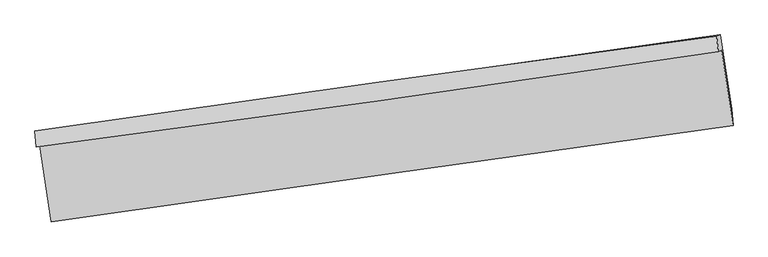
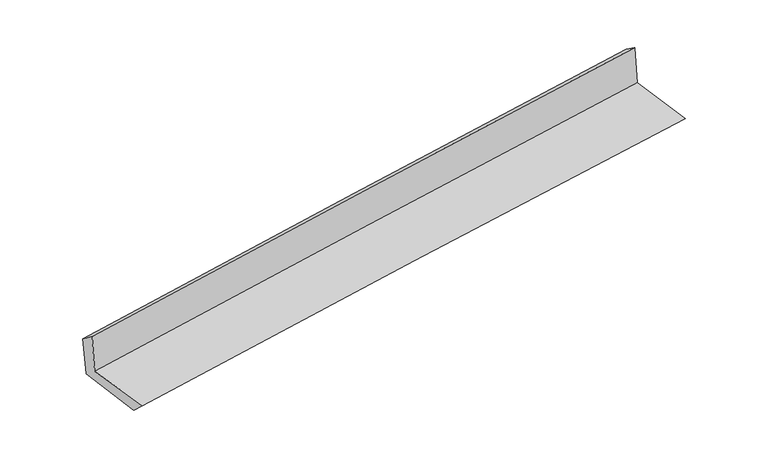
"""IFC4 building model written with IfcOpenShell, lengths in millimetres: proxy geometry."""

from ifc_helpers import new_model, si_unit, frame, origin, place, context, project, spatial, source, transform, mapped, element, save
from ifc_brep_helpers import plane_surface, spline_curve, spline_surface, advanced_brep


def generic_models_ffe34e5d(model_context):
    return source(origin(), model_context, "Body", "AdvancedBrep", [
        advanced_brep(
        [(-2998.977458, -1910.9687295, 1639.5197788), (-2900.6063281, -2576.3047009, 1641.5076441), (3050.4135524, -1737.7355442, 2111.7555485), (2951.2578339, -1079.036602, 2131.0009779), (-3029.931096, -1922.4237887, 2031.7437506), (2920.2367779, -1089.5346644, 2522.3322245), (-3041.4909345, -1781.996142, 1920.7734299), (2908.2315743, -954.4860395, 2426.2819817), (-3009.4048955, -1783.6052148, 1538.1886826), (2938.7999403, -943.1735585, 2038.939921), (-2910.1402045, -2437.8373448, 1509.6871698), (3037.2847894, -1593.2962148, 2012.4953426)],
        [
            (0, 1),
            (1, 2, spline_curve(3, [(-2900.6063281, -2576.3047009, 1641.5076441), (-1909.692779023, -2435.464929955, 1729.043513039), (-918.317293574, -2295.16422735, 1811.998799892), (1065.356001698, -2015.641176674, 1968.748087222), (2057.653809296, -1876.418827264, 2042.542101617), (3050.4135524, -1737.7355442, 2111.7555485)], [4, 2, 4], [0.0, 9.888831024317822, 19.77764659404861])),
            (2, 3),
            (3, 0, spline_curve(3, [(2951.2578339, -1079.036602, 2131.0009779), (1959.202438826, -1219.113120949, 2055.804979222), (967.322187786, -1358.479004217, 1977.250248043), (-1016.089576458, -1635.789715479, 1813.42319234), (-2007.621089378, -1773.734541386, 1728.1508572), (-2998.977458, -1910.9687295, 1639.5197788)], [4, 2, 4], [0.0, 9.888815569730786, 19.77764659404861])),
            (4, 0),
            (3, 5),
            (5, 4, spline_curve(3, [(2920.2367779, -1089.5346644, 2522.3322245), (1928.822967837, -1239.049074395, 2456.220067288), (937.269127652, -1383.213656339, 2382.281653569), (-1046.120163306, -1660.843381206, 2218.752187047), (-2037.955614338, -1794.30850736, 2129.161109094), (-3029.931096, -1922.4237887, 2031.7437506)], [4, 2, 4], [0.0, 9.888932046812027, 19.777879548393127])),
            (6, 4),
            (5, 7),
            (7, 6, spline_curve(3, [(2908.2315743, -954.4860395, 2426.2819817), (1915.692197565, -1087.531033118, 2344.390082266), (923.612687411, -1223.012649272, 2261.318453733), (-1059.628150349, -1498.849342671, 2092.815606596), (-2050.789476231, -1639.204427021, 2007.384384587), (-3041.4909345, -1781.996142, 1920.7734299)], [4, 2, 4], [0.0, 9.888872585268953, 19.77776062521405])),
            (8, 6),
            (7, 9),
            (9, 8, spline_curve(3, [(2938.7999403, -943.1735585, 2038.939921), (1946.461768892, -1082.651362759, 1966.075711369), (954.609333803, -1222.426181253, 1887.914373456), (-1028.125612945, -1502.570066057, 1720.997310312), (-2019.008122996, -1642.939132668, 1632.241568823), (-3009.4048955, -1783.6052148, 1538.1886826)], [4, 2, 4], [0.0, 9.888792878937412, 19.7776012124264])),
            (10, 8),
            (9, 11),
            (11, 10, spline_curve(3, [(3037.2847894, -1593.2962148, 2012.4953426), (2045.096415775, -1733.246155184, 1938.671611704), (1053.383866211, -1873.599497692, 1859.859101983), (-929.09113335, -2155.113206288, 1692.256393049), (-1919.853581699, -2296.273574009, 1603.466178924), (-2910.1402045, -2437.8373448, 1509.6871698)], [4, 2, 4], [0.0, 9.888773383768664, 19.777562222058435])),
            (1, 10),
            (11, 2),
        ],
        [
            spline_surface(3, 3, [[(-2998.977458, -1910.9687295, 1639.5197788), (-2007.621089486, -1773.73454151, 1728.15085709), (-1016.089576604, -1635.789715536, 1813.42319226), (967.322187933, -1358.479004159, 1977.250248123), (1959.202438972, -1219.113120945, 2055.80497933), (2951.2578339, -1079.036602, 2131.0009779)], [(-2966.187081366, -2132.74738663, 1640.182400567), (-1974.978319368, -1994.311337674, 1728.448409078), (-983.498815526, -1855.581219477, 1812.948394837), (1000.000125814, -1577.533061716, 1974.416194455), (1992.019562398, -1438.215023038, 2051.384020103), (2984.309740047, -1298.602916072, 2124.585834752)], [(-2933.396704734, -2354.52604377, 1640.845022333), (-1942.33554925, -2214.888133848, 1728.745961066), (-950.90805449, -2075.372723336, 1812.473597415), (1032.678063654, -1796.58711919, 1971.582140788), (2024.836685882, -1657.316925117, 2046.963060919), (3017.361646253, -1518.169230128, 2118.170691648)], [(-2900.6063281, -2576.3047009, 1641.5076441), (-1909.692779132, -2435.464930012, 1729.043513055), (-918.317293412, -2295.164227277, 1811.998799992), (1065.356001536, -2015.641176747, 1968.748087121), (2057.653809308, -1876.418827211, 2042.542101692), (3050.4135524, -1737.7355442, 2111.7555485)]], [4, 4], [4, 2, 4], [0.0, 2.1834891740617532], [0.0, 9.888831024317822, 19.77764659404861]),
            spline_surface(3, 3, [[(-3029.931096, -1922.4237887, 2031.7437506), (-2037.955614278, -1794.308507317, 2129.16110902), (-1046.120163259, -1660.843381175, 2218.752186886), (937.269127605, -1383.213656369, 2382.281653729), (1928.822967882, -1239.049074379, 2456.220067152), (2920.2367779, -1089.5346644, 2522.3322245)], [(-3019.613216669, -1918.605435635, 1901.002426681), (-2027.844106017, -1787.450518716, 1995.491025058), (-1036.109967724, -1652.492159279, 2083.642522005), (947.286814364, -1374.968772283, 2247.271185189), (1938.949458264, -1232.403756563, 2322.748371214), (2930.577129918, -1086.035310262, 2391.888475636)], [(-3009.295337331, -1914.787082565, 1770.261102719), (-2017.732597748, -1780.592530111, 1861.820941053), (-1026.099772139, -1644.140937432, 1948.532857141), (957.304501174, -1366.723888245, 2112.260716663), (1949.07594859, -1225.75843876, 2189.276675269), (2940.917481882, -1082.535956138, 2261.444726764)], [(-2998.977458, -1910.9687295, 1639.5197788), (-2007.621089486, -1773.73454151, 1728.15085709), (-1016.089576604, -1635.789715536, 1813.42319226), (967.322187933, -1358.479004159, 1977.250248123), (1959.202438972, -1219.113120945, 2055.80497933), (2951.2578339, -1079.036602, 2131.0009779)]], [4, 4], [4, 2, 4], [0.0, 1.335480075281441], [0.0, 9.8889475015811, 19.777879548393127]),
            spline_surface(3, 3, [[(-3041.4909345, -1781.996142, 1920.7734299), (-2050.789476266, -1639.204427143, 2007.384384663), (-1059.628150314, -1498.849342576, 2092.815606721), (923.612687376, -1223.012649368, 2261.318453608), (1915.692197718, -1087.531033084, 2344.3900822), (2908.2315743, -954.4860395, 2426.2819817)], [(-3037.63765501, -1828.805357563, 1957.763536789), (-2046.51152228, -1690.905787198, 2047.976626105), (-1055.125487973, -1552.847355459, 2134.794466778), (928.164834109, -1276.412985052, 2301.639520318), (1920.069121111, -1138.037046853, 2381.666743871), (2912.233308839, -999.502247804, 2458.29872932)], [(-3033.78437549, -1875.614573137, 1994.753643711), (-2042.233568264, -1742.607147263, 2088.568867578), (-1050.622825601, -1606.845368291, 2176.773326828), (932.716980872, -1329.813320685, 2341.96058702), (1924.446044488, -1188.54306061, 2418.943405482), (2916.235043361, -1044.518456096, 2490.31547688)], [(-3029.931096, -1922.4237887, 2031.7437506), (-2037.955614278, -1794.308507317, 2129.16110902), (-1046.120163259, -1660.843381175, 2218.752186886), (937.269127605, -1383.213656369, 2382.281653729), (1928.822967882, -1239.049074379, 2456.220067152), (2920.2367779, -1089.5346644, 2522.3322245)]], [4, 4], [4, 2, 4], [0.0, 0.6673648130876633], [0.0, 9.888888039945098, 19.77776062521405]),
            spline_surface(3, 3, [[(-3009.4048955, -1783.6052148, 1538.1886826), (-2019.008123157, -1642.939132782, 1632.241568952), (-1028.125612959, -1502.570065905, 1720.997310425), (954.609333816, -1222.426181404, 1887.914373343), (1946.461768905, -1082.65136284, 1966.075711319), (2938.7999403, -943.1735585, 2038.939921)], [(-3020.100241832, -1783.068857199, 1665.716931721), (-2029.601907525, -1641.694230902, 1757.28917421), (-1038.626458736, -1501.329824774, 1844.936742518), (944.277118344, -1222.621670703, 2012.382400093), (1936.205245174, -1084.277919593, 2092.1805016), (2928.610484965, -946.944385505, 2168.05394122)], [(-3030.795588168, -1782.532499601, 1793.245180779), (-2040.195691898, -1640.449329024, 1882.336779405), (-1049.127304537, -1500.089583708, 1968.876174627), (933.944902849, -1222.817160068, 2136.850426859), (1925.948721449, -1085.904476331, 2218.285291919), (2918.421029635, -950.715212495, 2297.16796148)], [(-3041.4909345, -1781.996142, 1920.7734299), (-2050.789476266, -1639.204427143, 2007.384384663), (-1059.628150314, -1498.849342576, 2092.815606721), (923.612687376, -1223.012649368, 2261.318453608), (1915.692197718, -1087.531033084, 2344.3900822), (2908.2315743, -954.4860395, 2426.2819817)]], [4, 4], [4, 2, 4], [0.0, 1.2267800908223399], [0.0, 9.888808333488988, 19.7776012124264]),
            spline_surface(3, 3, [[(-2910.1402045, -2437.8373448, 1509.6871698), (-1919.853581803, -2296.273573953, 1603.466178767), (-929.091133299, -2155.11320636, 1692.256393171), (1053.383866159, -1873.59949762, 1859.859101861), (2045.096415614, -1733.246155215, 1938.67161169), (3037.2847894, -1593.2962148, 2012.4953426)], [(-2943.228434824, -2219.759968132, 1519.18767406), (-1952.905095578, -2078.495426895, 1613.057975489), (-962.102626506, -1937.598826215, 1701.836698932), (1020.459022057, -1656.541725555, 1869.210859032), (2012.21820004, -1516.381224427, 1947.806311553), (3004.456506362, -1376.588662703, 2021.310202053)], [(-2976.316665176, -2001.682591468, 1528.68817834), (-1985.956609381, -1860.71727984, 1622.64977223), (-995.114119751, -1720.08444605, 1711.417004664), (987.534177918, -1439.483953469, 1878.562616173), (1979.33998448, -1299.516293628, 1956.941011457), (2971.628223338, -1159.881110597, 2030.125061547)], [(-3009.4048955, -1783.6052148, 1538.1886826), (-2019.008123157, -1642.939132782, 1632.241568952), (-1028.125612959, -1502.570065905, 1720.997310425), (954.609333816, -1222.426181404, 1887.914373343), (1946.461768905, -1082.65136284, 1966.075711319), (2938.7999403, -943.1735585, 2038.939921)]], [4, 4], [4, 2, 4], [0.0, 2.1651249191309767], [0.0, 9.888788838289772, 19.777562222058435]),
            spline_surface(3, 3, [[(-2900.6063281, -2576.3047009, 1641.5076441), (-1909.692779132, -2435.464930012, 1729.043513055), (-918.317293412, -2295.164227277, 1811.998799992), (1065.356001536, -2015.641176747, 1968.748087121), (2057.653809308, -1876.418827211, 2042.542101692), (3050.4135524, -1737.7355442, 2111.7555485)], [(-2903.784286898, -2530.148915541, 1597.567485982), (-1913.079713354, -2389.067811333, 1687.184401608), (-921.908573381, -2248.480553624, 1772.084664384), (1061.365289737, -1968.293950358, 1932.451758699), (2053.468011412, -1828.6946032, 2007.918605043), (3046.037298069, -1689.589101054, 2078.668813219)], [(-2906.962245702, -2483.993130159, 1553.627327918), (-1916.466647581, -2342.670692632, 1645.325290214), (-925.49985333, -2201.796880012, 1732.17052878), (1057.374577958, -1920.946724009, 1896.155430283), (2049.28221351, -1780.970379226, 1973.295108339), (3041.661043731, -1641.442657946, 2045.582077881)], [(-2910.1402045, -2437.8373448, 1509.6871698), (-1919.853581803, -2296.273573953, 1603.466178767), (-929.091133299, -2155.11320636, 1692.256393171), (1053.383866159, -1873.59949762, 1859.859101861), (2045.096415614, -1733.246155215, 1938.67161169), (3037.2847894, -1593.2962148, 2012.4953426)]], [4, 4], [4, 2, 4], [0.0, 0.5968198348260662], [0.0, 9.888782907675935, 19.77755036084003]),
            plane_surface(frame((2967.704078, -1232.8771039, 2207.1343327), z_axis=(0.9858734468077306, 0.1460083755283427, 0.08206766205406035), x_axis=(-0.0786403348701351, -0.02910254656682145, 0.99647816810748))),
            plane_surface(frame((-2981.7584861, -2068.8559868, 1713.570076), z_axis=(-0.9858734468086499, -0.1460083755222087, -0.08206766205393164), x_axis=(-0.14626116394819694, 0.9892415964981124, -0.0029556181053662384))),
        ],
        [
            (0, [[1, 2, 3, 4]]),
            (1, [[5, -4, 6, 7]]),
            (2, [[8, -7, 9, 10]]),
            (3, [[11, -10, 12, 13]]),
            (4, [[14, -13, 15, 16]]),
            (5, [[17, -16, 18, -2]]),
            (6, [[-12, -9, -6, -3, -18, -15]]),
            (7, [[-1, -5, -8, -11, -14, -17]]),
        ],
    ),
    ])


if __name__ == "__main__":
    model = new_model("IFC4")
    model_context = context("Model", 3, world=origin())
    ifc_project = project(units=[si_unit("LENGTHUNIT", "METRE", prefix="MILLI")], contexts=[model_context])
    site = spatial("IfcSite", under=ifc_project)
    building = spatial("IfcBuilding", under=site)
    placement = place(None, origin())
    generic_models_shape = generic_models_ffe34e5d(model_context)
    element("IfcBuildingElementProxy", 1, Name="Generic Models", at=placement, inside=building, context=model_context, shape_type="MappedRepresentation", body=[
        mapped(generic_models_shape, transform((0.0, 0.0, 0.0), x_axis=(1.0, 0.0, 0.0), y_axis=(0.0, 1.0, 0.0), z_axis=(0.0, 0.0, 1.0))),
    ])
    save(model, "model.ifc")
